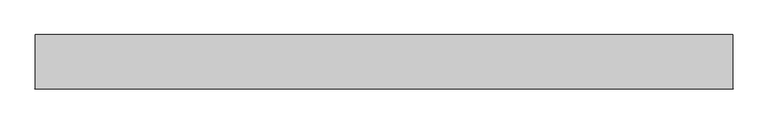
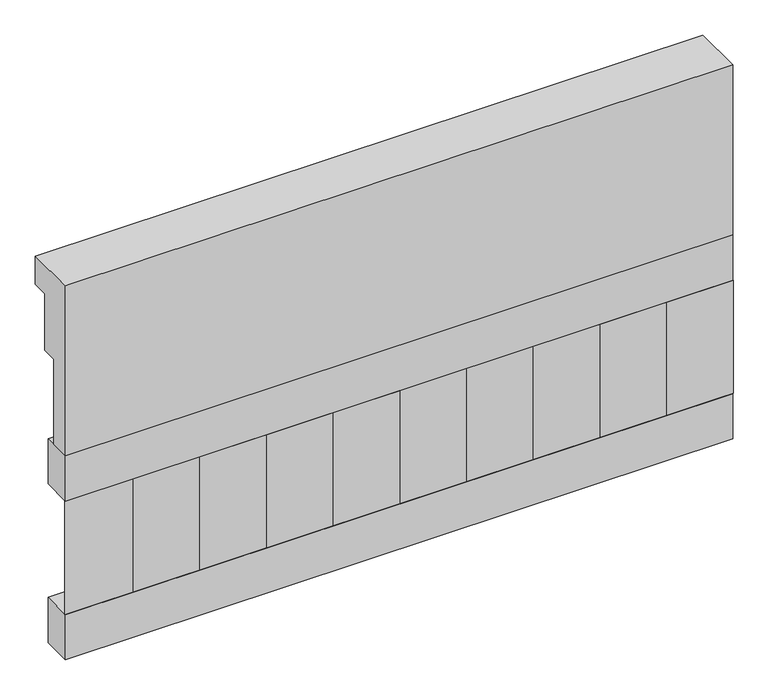
"""IFC4 building model written with IfcOpenShell, lengths in millimetres: railing geometry."""

from ifc_helpers import new_model, si_unit, frame, origin, place, context, project, spatial, polyline, outline, extrude, source, transform, mapped, element, save


def railing_30068150(model_context):
    return source(origin(), model_context, "Body", "SweptSolid", [
        extrude(outline(polyline([(903.1079487, 21800.0), (1033.1079487, 21800.0), (1033.1079487, 21725.0), (993.1079487, 21725.0), (993.1079487, 21575.0), (953.1079487, 21575.0), (953.1079487, 21350.0), (903.1079487, 21350.0), (903.1079487, 21800.0)])), frame((-2009.9887159, 0.0, 0.0), z_axis=(1.0, 0.0, 0.0), x_axis=(0.0, 1.0, 0.0)), (0.0, 0.0, 1.0), 1670.0),
        extrude(outline(polyline([(-339.9887159, 978.1079487), (-339.9887159, 903.1079487), (-2009.9887159, 903.1079487), (-2009.9887159, 978.1079487), (-339.9887159, 978.1079487)])), frame((0.0, 0.0, 21230.0), z_axis=(0.0, 0.0, 1.0), x_axis=(1.0, 0.0, 0.0)), (0.0, 0.0, 1.0), 120.0),
        extrude(outline(polyline([(-339.9887159, 978.1079487), (-339.9887159, 903.1079487), (-2009.9887159, 903.1079487), (-2009.9887159, 978.1079487), (-339.9887159, 978.1079487)])), frame((0.0, 0.0, 20810.0), z_axis=(0.0, 0.0, 1.0), x_axis=(1.0, 0.0, 0.0)), (0.0, 0.0, 1.0), 120.0),
        extrude(outline(polyline([(-1926.4887159, 987.9607624), (-1841.6359022, 903.1079487), (-2011.3415296, 903.1079487), (-1926.4887159, 987.9607624)])), frame((0.0, 0.0, 20930.0), z_axis=(0.0, 0.0, 1.0), x_axis=(1.0, 0.0, 0.0)), (0.0, 0.0, 1.0), 300.0),
        extrude(outline(polyline([(-1759.4887159, 987.9607624), (-1674.6359022, 903.1079487), (-1844.3415296, 903.1079487), (-1759.4887159, 987.9607624)])), frame((0.0, 0.0, 20930.0), z_axis=(0.0, 0.0, 1.0), x_axis=(1.0, 0.0, 0.0)), (0.0, 0.0, 1.0), 300.0),
        extrude(outline(polyline([(-1592.4887159, 987.9607624), (-1507.6359022, 903.1079487), (-1677.3415296, 903.1079487), (-1592.4887159, 987.9607624)])), frame((0.0, 0.0, 20930.0), z_axis=(0.0, 0.0, 1.0), x_axis=(1.0, 0.0, 0.0)), (0.0, 0.0, 1.0), 300.0),
        extrude(outline(polyline([(-1425.4887159, 987.9607624), (-1340.6359022, 903.1079487), (-1510.3415296, 903.1079487), (-1425.4887159, 987.9607624)])), frame((0.0, 0.0, 20930.0), z_axis=(0.0, 0.0, 1.0), x_axis=(1.0, 0.0, 0.0)), (0.0, 0.0, 1.0), 300.0),
        extrude(outline(polyline([(-1258.4887159, 987.9607624), (-1173.6359022, 903.1079487), (-1343.3415296, 903.1079487), (-1258.4887159, 987.9607624)])), frame((0.0, 0.0, 20930.0), z_axis=(0.0, 0.0, 1.0), x_axis=(1.0, 0.0, 0.0)), (0.0, 0.0, 1.0), 300.0),
        extrude(outline(polyline([(-1091.4887159, 987.9607624), (-1006.6359022, 903.1079487), (-1176.3415296, 903.1079487), (-1091.4887159, 987.9607624)])), frame((0.0, 0.0, 20930.0), z_axis=(0.0, 0.0, 1.0), x_axis=(1.0, 0.0, 0.0)), (0.0, 0.0, 1.0), 300.0),
        extrude(outline(polyline([(-924.4887159, 987.9607624), (-839.6359022, 903.1079487), (-1009.3415296, 903.1079487), (-924.4887159, 987.9607624)])), frame((0.0, 0.0, 20930.0), z_axis=(0.0, 0.0, 1.0), x_axis=(1.0, 0.0, 0.0)), (0.0, 0.0, 1.0), 300.0),
        extrude(outline(polyline([(-757.4887159, 987.9607624), (-672.6359022, 903.1079487), (-842.3415296, 903.1079487), (-757.4887159, 987.9607624)])), frame((0.0, 0.0, 20930.0), z_axis=(0.0, 0.0, 1.0), x_axis=(1.0, 0.0, 0.0)), (0.0, 0.0, 1.0), 300.0),
        extrude(outline(polyline([(-590.4887159, 987.9607624), (-505.6359022, 903.1079487), (-675.3415296, 903.1079487), (-590.4887159, 987.9607624)])), frame((0.0, 0.0, 20930.0), z_axis=(0.0, 0.0, 1.0), x_axis=(1.0, 0.0, 0.0)), (0.0, 0.0, 1.0), 300.0),
        extrude(outline(polyline([(-423.4887159, 987.9607624), (-338.6359022, 903.1079487), (-508.3415296, 903.1079487), (-423.4887159, 987.9607624)])), frame((0.0, 0.0, 20930.0), z_axis=(0.0, 0.0, 1.0), x_axis=(1.0, 0.0, 0.0)), (0.0, 0.0, 1.0), 300.0),
    ])


if __name__ == "__main__":
    model = new_model("IFC4")
    model_context = context("Model", 3, world=origin())
    ifc_project = project(units=[si_unit("LENGTHUNIT", "METRE", prefix="MILLI")], contexts=[model_context])
    site = spatial("IfcSite", under=ifc_project)
    building = spatial("IfcBuilding", under=site)
    placement = place(None, origin())
    railing_shape = railing_30068150(model_context)
    element("IfcRailing", 1, at=placement, inside=building, context=model_context, shape_type="MappedRepresentation", body=[
        mapped(railing_shape, transform((0.0, 0.0, 0.0), x_axis=(1.0, 0.0, 0.0), y_axis=(0.0, 1.0, 0.0), z_axis=(0.0, 0.0, 1.0))),
    ])
    save(model, "model.ifc")
